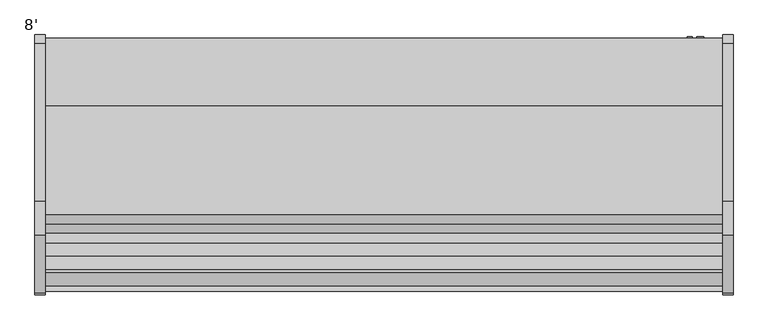
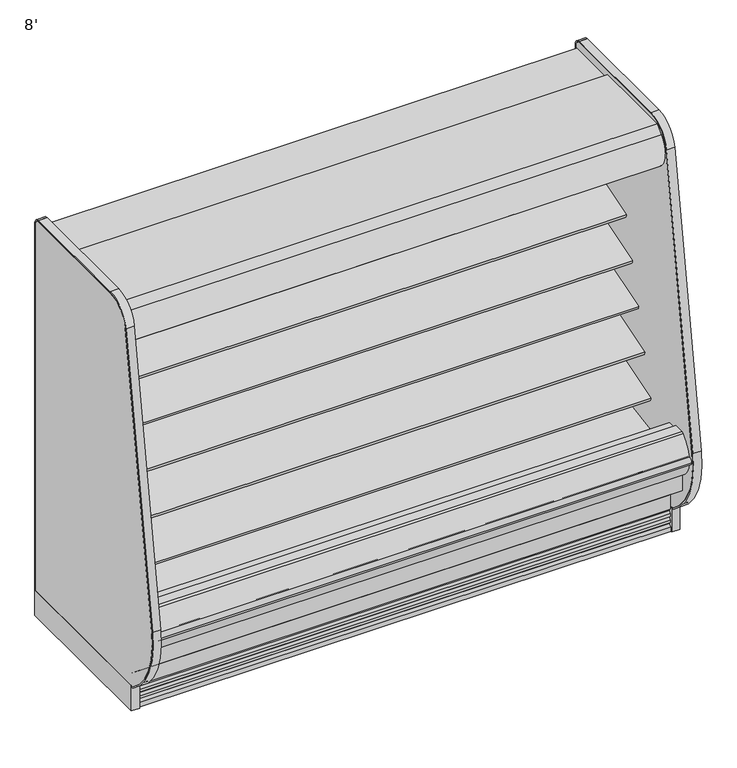
"""IFC4 building model written with IfcOpenShell, lengths in millimetres: proxy geometry, 8'."""

from ifc_helpers import new_model, si_unit, point, frame, frame_2d, origin, origin_with_axes, place, context, project, spatial, polyline, circle_curve, trimmed, segment, composite_curve, outline, extrude, source, transform, mapped, element, save
from ifc_brep_helpers import plane_surface, revolved_surface, advanced_brep


def proxy_8_73f306f4(model_context):
    return source(origin(), model_context, "Body", "SolidModel", [
        extrude(outline(composite_curve([segment(polyline([(-504.9331995, 1231.4784284), (-504.9331995, 1153.1939633), (-518.2051955, 1148.8882479)]), True, "CONTINUOUS"), segment(trimmed(circle_curve(frame_2d((-526.0433303, 1173.0486213)), 25.4), [point((-518.2051955, 1148.8882479))], [point((-535.5495316, 1149.4945954))], False, "CARTESIAN"), True, "CONTINUOUS"), segment(polyline([(-535.5495316, 1149.4945954), (-556.8449295, 1158.0892339)]), True, "CONTINUOUS"), segment(trimmed(circle_curve(frame_2d((-580.6104329, 1099.2041692)), 63.5), [point((-556.8449295, 1158.0892339))], [point((-591.4790956, 1161.7671149))], True, "CARTESIAN"), True, "CONTINUOUS"), segment(polyline([(-591.4790956, 1161.7671149), (-780.783108, 1128.6709714), (-783.2127521, 1131.5259116), (-840.8364756, 1113.9085713), (-844.9951707, 1127.5110502), (-504.9331995, 1231.4784284)]), True, "CONTINUOUS")], self_intersect=False)), frame((0.0, 0.0, 0.0), z_axis=(1.0, 0.0, 0.0), x_axis=(0.0, 1.0, 0.0)), (0.0, 0.0, 1.0), 2438.4),
        extrude(outline(composite_curve([segment(trimmed(circle_curve(frame_2d((-755.1213828, 1754.6817837)), 14.2875), [point((-740.8338828, 1754.6817837))], [point((-769.4088828, 1754.6817837))], False, "CARTESIAN"), True, "CONTINUOUS"), segment(trimmed(circle_curve(frame_2d((-755.1213828, 1754.6817837)), 14.2875), [point((-769.4088828, 1754.6817837))], [point((-740.8338828, 1754.6817837))], False, "CARTESIAN"), True, "CONTINUOUS")], self_intersect=False)), frame((0.0, 0.0, 0.0), z_axis=(1.0, 0.0, 0.0), x_axis=(0.0, 1.0, 0.0)), (0.0, 0.0, 1.0), 2438.4),
        extrude(outline(polyline([(-734.0000368, 1783.4480074), (-734.0000368, 1781.8605074), (-745.9062868, 1781.8605074), (-781.6250368, 1758.0480074), (-781.6250368, 1781.8605074), (-802.2625368, 1781.8605074), (-802.2625368, 1723.2826254), (-798.9859062, 1707.1532905), (-800.5416293, 1706.8372496), (-803.8500368, 1723.1230074), (-803.8500368, 1783.4480074), (-734.0000368, 1783.4480074)])), frame((0.0, 0.0, 0.0), z_axis=(1.0, 0.0, 0.0), x_axis=(0.0, 1.0, 0.0)), (0.0, 0.0, 1.0), 2438.4),
        extrude(outline(composite_curve([segment(polyline([(-645.2072918, 1887.6264001), (-951.9166873, 1887.6264001), (-951.9166873, 1837.4360001), (-910.7889599, 1837.4360001), (-910.7889599, 1751.481792), (-914.7191706, 1751.481792), (-957.9732964, 1778.3902586), (-1045.9679806, 1778.3902586), (-1051.3862085, 1749.0156271), (-1059.481178, 1742.4581239), (-1061.2400107, 1736.6057625), (-1066.37165, 1728.7312858)]), True, "CONTINUOUS"), segment(trimmed(circle_curve(frame_2d((-1071.317344, 1733.5755629)), 6.9229264), [point((-1066.37165, 1728.7312858))], [point((-1076.4850743, 1728.9688858))], False, "CARTESIAN"), True, "CONTINUOUS"), segment(trimmed(circle_curve(frame_2d((-997.6333247, 1799.2598126)), 105.6333886), [point((-1076.4850743, 1728.9688858))], [point((-1070.6777032, 1875.5679482))], False, "CARTESIAN"), True, "CONTINUOUS"), segment(trimmed(circle_curve(frame_2d((-1536.9601915, 2362.0700675)), 673.8721474), [point((-1070.6777032, 1875.5679482))], [point((-1038.8813513, 1908.174551))], True, "CARTESIAN"), True, "CONTINUOUS"), segment(polyline([(-1038.8813513, 1908.174551), (-645.2072918, 1908.174551), (-645.2072918, 1887.6264001)]), True, "CONTINUOUS")], self_intersect=False)), frame((0.0, 0.0, 0.0), z_axis=(1.0, 0.0, 0.0), x_axis=(0.0, 1.0, 0.0)), (0.0, 0.0, 1.0), 2438.4),
        extrude(outline(polyline([(174.853063, -1017.4589273), (481.100863, -1017.4589273), (481.100863, -1115.8839273), (174.853063, -1115.8839273), (174.853063, -1017.4589273)])), frame((0.0, 0.0, 7.2630602), z_axis=(0.0, 0.0, 1.0), x_axis=(1.0, 0.0, 0.0)), (0.0, 0.0, 1.0), 9.6482401),
        extrude(outline(composite_curve([segment(trimmed(circle_curve(frame_2d((2245.6428976, -1007.9339273)), 12.7), [point((2232.9428976, -1007.9339273))], [point((2258.3428976, -1007.9339273))], False, "CARTESIAN"), True, "CONTINUOUS"), segment(trimmed(circle_curve(frame_2d((2245.6428976, -1007.9339273)), 12.7), [point((2258.3428976, -1007.9339273))], [point((2232.9428976, -1007.9339273))], False, "CARTESIAN"), True, "CONTINUOUS")], self_intersect=False)), frame((0.0, 0.0, 71.1788852), z_axis=(0.0, 0.0, 1.0), x_axis=(1.0, 0.0, 0.0)), (0.0, 0.0, 1.0), 58.9961148),
        extrude(outline(composite_curve([segment(trimmed(circle_curve(frame_2d((2193.3280532, -1007.9339273)), 9.525), [point((2183.8030532, -1007.9339273))], [point((2202.8530532, -1007.9339273))], False, "CARTESIAN"), True, "CONTINUOUS"), segment(trimmed(circle_curve(frame_2d((2193.3280532, -1007.9339273)), 9.525), [point((2202.8530532, -1007.9339273))], [point((2183.8030532, -1007.9339273))], False, "CARTESIAN"), True, "CONTINUOUS")], self_intersect=False)), frame((0.0, 0.0, 71.1788852), z_axis=(0.0, 0.0, 1.0), x_axis=(1.0, 0.0, 0.0)), (0.0, 0.0, 1.0), 58.9961148),
        extrude(outline(composite_curve([segment(trimmed(circle_curve(frame_2d((1219.2, -988.8839273)), 38.1), [point((1181.1, -988.8839273))], [point((1257.3, -988.8839273))], False, "CARTESIAN"), True, "CONTINUOUS"), segment(trimmed(circle_curve(frame_2d((1219.2, -988.8839273)), 38.1), [point((1257.3, -988.8839273))], [point((1181.1, -988.8839273))], False, "CARTESIAN"), True, "CONTINUOUS")], self_intersect=False)), frame((0.0, 0.0, 71.1788852), z_axis=(0.0, 0.0, 1.0), x_axis=(1.0, 0.0, 0.0)), (0.0, 0.0, 1.0), 58.9961148),
        advanced_brep(
        [(2438.4, -1017.4589273, 130.175), (2438.4, -1087.7580824, 130.175), (2438.4, -1115.8839273, 152.8829537), (2438.4, -1115.8839273, 16.9113003), (2438.4, -1017.4589273, 16.9113003), (0.0, -1017.4589273, 130.175), (0.0, -1017.4589273, 16.9113003), (0.0, -1115.8839273, 16.9113003), (0.0, -1115.8839273, 152.8829537), (0.0, -1087.7580824, 130.175), (2269.2240418, -1017.4589273, 130.175), (2169.4259582, -1017.4589273, 130.175), (1261.2013021, -1017.4589273, 130.175), (1177.1986979, -1017.4589273, 130.175), (1177.1986979, -1017.4589273, 16.9113003), (1261.2013021, -1017.4589273, 16.9113003), (2169.4259582, -1017.4589273, 16.9113003), (2269.2240418, -1017.4589273, 16.9113003)],
        [
            (0, 1),
            (1, 2),
            (2, 3),
            (3, 4),
            (4, 0),
            (5, 6),
            (6, 7),
            (7, 8),
            (8, 9),
            (9, 5),
            (0, 10),
            (10, 11, circle_curve(frame((2219.325, -1007.9339273, 130.175), z_axis=(0.0, 0.0, -1.0), x_axis=(1.0, 0.0, 0.0)), 50.8)),
            (11, 12),
            (12, 13, circle_curve(frame((1219.2, -988.8839273, 130.175), z_axis=(0.0, 0.0, -1.0), x_axis=(1.0, 0.0, 0.0)), 50.8)),
            (13, 5),
            (9, 1),
            (8, 2),
            (3, 7),
            (6, 14),
            (14, 15, circle_curve(frame((1219.2, -988.8839273, 16.9113003), z_axis=(0.0, 0.0, 1.0), x_axis=(1.0, 0.0, 0.0)), 50.8)),
            (15, 16),
            (16, 17, circle_curve(frame((2219.325, -1007.9339273, 16.9113003), z_axis=(0.0, 0.0, 1.0), x_axis=(1.0, 0.0, 0.0)), 50.8)),
            (17, 4),
            (17, 10),
            (13, 14),
            (15, 12),
            (11, 16),
        ],
        [
            plane_surface(frame((2438.4, -1087.7580824, 130.175), z_axis=(1.0, 0.0, 0.0), x_axis=(0.0, -1.0, 0.0))),
            plane_surface(frame((0.0, -1087.7580824, 130.175), z_axis=(-1.0, 0.0, 0.0), x_axis=(0.0, 1.0, 0.0))),
            plane_surface(frame((2438.4, -1017.4589273, 130.175), z_axis=(0.0, 0.0, 1.0), x_axis=(-1.0, 0.0, 0.0))),
            plane_surface(frame((2438.4, -1087.7580824, 130.175), z_axis=(0.0, 0.628185164263753, 0.7780638787393499), x_axis=(-1.0, 0.0, 0.0))),
            plane_surface(frame((2438.4, -1115.8839273, 16.9113003), z_axis=(0.0, 0.0, -1.0), x_axis=(-1.0, 0.0, 0.0))),
            plane_surface(frame((2438.4, -1017.4589273, 16.9113003), z_axis=(0.0, 1.0, 0.0), x_axis=(-1.0, 0.0, 0.0))),
            revolved_surface(polyline([(1270.0, -988.8839273, 130.175), (1270.0, -988.8839273, 16.9113003)]), (1219.2, -988.8839273, 0.0), (0.0, 0.0, 1.0)),
            revolved_surface(polyline([(2270.125, -1007.9339273, 130.175), (2270.125, -1007.9339273, 16.9113003)]), (2219.325, -1007.9339273, 0.0), (0.0, 0.0, 1.0)),
            plane_surface(frame((2438.4, -1115.8839273, 152.8829537), z_axis=(0.0, -1.0, 0.0), x_axis=(-1.0, 0.0, 0.0))),
        ],
        [
            (0, [[1, 2, 3, 4, 5]]),
            (1, [[6, 7, 8, 9, 10]]),
            (2, [[-1, 11, 12, 13, 14, 15, -10, 16]]),
            (3, [[-2, -16, -9, 17]]),
            (4, [[-4, 18, -7, 19, 20, 21, 22, 23]]),
            (5, [[-5, -23, 24, -11]]),
            (5, [[-6, -15, 25, -19]]),
            (5, [[26, -13, 27, -21]]),
            (6, [[-14, -26, -20, -25]]),
            (7, [[-12, -24, -22, -27]]),
            (8, [[-3, -17, -8, -18]]),
        ],
    ),
        advanced_brep(
        [(2438.4, -401.5089273, 0.0), (2438.4, -401.5089273, 130.175), (2438.4, -1017.4589273, 130.175), (2438.4, -1017.4589273, 0.0), (2438.4, -973.8344273, 0.0), (2438.4, -973.8344273, 74.8810382), (2438.4, -446.7209273, 74.8810382), (2438.4, -446.7209273, 0.0), (0.0, -401.5089273, 0.0), (0.0, -446.7209273, 0.0), (0.0, -446.7209273, 74.8810382), (0.0, -973.8344273, 74.8810382), (0.0, -973.8344273, 0.0), (0.0, -1017.4589273, 0.0), (0.0, -1017.4589273, 130.175), (0.0, -401.5089273, 130.175), (1177.1986979, -1017.4589273, 130.175), (1168.4, -988.8839273, 130.175), (1270.0, -988.8839273, 130.175), (1261.2013021, -1017.4589273, 130.175), (2169.4259582, -1017.4589273, 130.175), (2168.525, -1007.9339273, 130.175), (2270.125, -1007.9339273, 130.175), (2269.2240418, -1017.4589273, 130.175), (2269.2240418, -1017.4589273, 0.0), (1177.1986979, -1017.4589273, 0.0), (1261.2013021, -1017.4589273, 0.0), (2169.4259582, -1017.4589273, 0.0), (2270.125, -1007.9339273, 0.0), (2256.9795362, -973.8344273, 0.0), (1170.68039, -973.8344273, 0.0), (1168.4, -988.8839273, 0.0), (1270.0, -988.8839273, 0.0), (1267.71961, -973.8344273, 0.0), (2181.6704638, -973.8344273, 0.0), (2168.525, -1007.9339273, 0.0), (2256.9795362, -973.8344273, 74.8810382), (1170.68039, -973.8344273, 74.8810382), (1267.71961, -973.8344273, 74.8810382), (2181.6704638, -973.8344273, 74.8810382)],
        [
            (0, 1),
            (1, 2),
            (2, 3),
            (3, 4),
            (4, 5),
            (5, 6),
            (6, 7),
            (7, 0),
            (8, 9),
            (9, 10),
            (10, 11),
            (11, 12),
            (12, 13),
            (13, 14),
            (14, 15),
            (15, 8),
            (0, 8),
            (15, 1),
            (14, 16),
            (16, 17, circle_curve(frame((1219.2, -988.8839273, 130.175), z_axis=(0.0, 0.0, -1.0), x_axis=(1.0, 0.0, 0.0)), 50.8)),
            (17, 18, circle_curve(frame((1219.2, -988.8839273, 130.175), z_axis=(0.0, 0.0, -1.0), x_axis=(1.0, 0.0, 0.0)), 50.8)),
            (18, 19, circle_curve(frame((1219.2, -988.8839273, 130.175), z_axis=(0.0, 0.0, -1.0), x_axis=(1.0, 0.0, 0.0)), 50.8)),
            (19, 20),
            (20, 21, circle_curve(frame((2219.325, -1007.9339273, 130.175), z_axis=(0.0, 0.0, -1.0), x_axis=(1.0, 0.0, 0.0)), 50.8)),
            (21, 22, circle_curve(frame((2219.325, -1007.9339273, 130.175), z_axis=(0.0, 0.0, -1.0), x_axis=(1.0, 0.0, 0.0)), 50.8)),
            (22, 23, circle_curve(frame((2219.325, -1007.9339273, 130.175), z_axis=(0.0, 0.0, -1.0), x_axis=(1.0, 0.0, 0.0)), 50.8)),
            (23, 2),
            (23, 24),
            (24, 3),
            (13, 25),
            (25, 16),
            (19, 26),
            (26, 27),
            (27, 20),
            (24, 28, circle_curve(frame((2219.325, -1007.9339273, 0.0), z_axis=(0.0, 0.0, 1.0), x_axis=(1.0, 0.0, 0.0)), 50.8)),
            (28, 29, circle_curve(frame((2219.325, -1007.9339273, 0.0), z_axis=(0.0, 0.0, 1.0), x_axis=(1.0, 0.0, 0.0)), 50.8)),
            (29, 4),
            (12, 30),
            (30, 31, circle_curve(frame((1219.2, -988.8839273, 0.0), z_axis=(0.0, 0.0, 1.0), x_axis=(1.0, 0.0, 0.0)), 50.8)),
            (31, 25, circle_curve(frame((1219.2, -988.8839273, 0.0), z_axis=(0.0, 0.0, 1.0), x_axis=(1.0, 0.0, 0.0)), 50.8)),
            (26, 32, circle_curve(frame((1219.2, -988.8839273, 0.0), z_axis=(0.0, 0.0, 1.0), x_axis=(1.0, 0.0, 0.0)), 50.8)),
            (32, 33, circle_curve(frame((1219.2, -988.8839273, 0.0), z_axis=(0.0, 0.0, 1.0), x_axis=(1.0, 0.0, 0.0)), 50.8)),
            (33, 34),
            (34, 35, circle_curve(frame((2219.325, -1007.9339273, 0.0), z_axis=(0.0, 0.0, 1.0), x_axis=(1.0, 0.0, 0.0)), 50.8)),
            (35, 27, circle_curve(frame((2219.325, -1007.9339273, 0.0), z_axis=(0.0, 0.0, 1.0), x_axis=(1.0, 0.0, 0.0)), 50.8)),
            (29, 36),
            (36, 5),
            (11, 37),
            (37, 30),
            (33, 38),
            (38, 39),
            (39, 34),
            (36, 39, circle_curve(frame((2219.325, -1007.9339273, 74.8810382), z_axis=(0.0, 0.0, 1.0), x_axis=(1.0, 0.0, 0.0)), 50.8)),
            (38, 37, circle_curve(frame((1219.2, -988.8839273, 74.8810382), z_axis=(0.0, 0.0, 1.0), x_axis=(1.0, 0.0, 0.0)), 50.8)),
            (10, 6),
            (9, 7),
            (18, 32),
            (31, 17),
            (22, 28),
            (35, 21),
        ],
        [
            plane_surface(frame((2438.4, -401.5089273, 1893.5715584), z_axis=(1.0, 0.0, 0.0), x_axis=(0.0, 0.0, 1.0))),
            plane_surface(frame((0.0, -401.5089273, 1893.5715584), z_axis=(-1.0, 0.0, 0.0), x_axis=(0.0, 0.0, -1.0))),
            plane_surface(frame((2438.4, -401.5089273, 0.0), z_axis=(0.0, 1.0, 0.0), x_axis=(-1.0, 0.0, 0.0))),
            plane_surface(frame((2438.4, -401.5089273, 130.175), z_axis=(0.0, 0.0, 1.0), x_axis=(-1.0, 0.0, 0.0))),
            plane_surface(frame((2438.4, -1017.4589273, 130.175), z_axis=(0.0, -1.0, 0.0), x_axis=(-1.0, 0.0, 0.0))),
            plane_surface(frame((2438.4, -1017.4589273, 0.0), z_axis=(0.0, 0.0, -1.0), x_axis=(-1.0, 0.0, 0.0))),
            plane_surface(frame((2438.4, -973.8344273, 0.0), z_axis=(0.0, 1.0, 0.0), x_axis=(-1.0, 0.0, 0.0))),
            plane_surface(frame((2438.4, -973.8344273, 74.8810382), z_axis=(0.0, 0.0, -1.0), x_axis=(-1.0, 0.0, 0.0))),
            plane_surface(frame((2438.4, -446.7209273, 74.8810382), z_axis=(0.0, -1.0, 0.0), x_axis=(-1.0, 0.0, 0.0))),
            plane_surface(frame((2438.4, -446.7209273, 0.0), z_axis=(0.0, 0.0, -1.0), x_axis=(-1.0, 0.0, 0.0))),
            revolved_surface(polyline([(1270.0, -988.8839273, 130.175), (1270.0, -988.8839273, 0.0)]), (1219.2, -988.8839273, 0.0), (0.0, 0.0, 1.0)),
            revolved_surface(polyline([(2270.125, -1007.9339273, 130.175), (2270.125, -1007.9339273, 0.0)]), (2219.325, -1007.9339273, 0.0), (0.0, 0.0, 1.0)),
        ],
        [
            (0, [[1, 2, 3, 4, 5, 6, 7, 8]]),
            (1, [[9, 10, 11, 12, 13, 14, 15, 16]]),
            (2, [[-1, 17, -16, 18]]),
            (3, [[-2, -18, -15, 19, 20, 21, 22, 23, 24, 25, 26, 27]]),
            (4, [[-3, -27, 28, 29]]),
            (4, [[-14, 30, 31, -19]]),
            (4, [[32, 33, 34, -23]]),
            (5, [[-4, -29, 35, 36, 37]]),
            (5, [[-13, 38, 39, 40, -30]]),
            (5, [[41, 42, 43, 44, 45, -33]]),
            (6, [[-5, -37, 46, 47]]),
            (6, [[-12, 48, 49, -38]]),
            (6, [[50, 51, 52, -43]]),
            (7, [[-6, -47, 53, -51, 54, -48, -11, 55]]),
            (8, [[-7, -55, -10, 56]]),
            (9, [[-8, -56, -9, -17]]),
            (10, [[57, -41, -32, -22]]),
            (10, [[58, -20, -31, -40]]),
            (10, [[-57, -21, -58, -39, -49, -54, -50, -42]]),
            (11, [[59, -35, -28, -26]]),
            (11, [[60, -24, -34, -45]]),
            (11, [[-59, -25, -60, -44, -52, -53, -46, -36]]),
        ],
    ),
        extrude(outline(composite_curve([segment(polyline([(-504.9331995, 698.5637759), (-504.9331995, 620.2793108), (-518.2051955, 615.9735953)]), True, "CONTINUOUS"), segment(trimmed(circle_curve(frame_2d((-526.0433303, 640.1339687)), 25.4), [point((-518.2051955, 615.9735953))], [point((-535.5495316, 616.5799428))], False, "CARTESIAN"), True, "CONTINUOUS"), segment(polyline([(-535.5495316, 616.5799428), (-558.3357517, 627.7682995)]), True, "CONTINUOUS"), segment(trimmed(circle_curve(frame_2d((-569.7928058, 604.43485)), 25.9944985), [point((-558.3357517, 627.7682995))], [point((-574.7613155, 629.9500977))], True, "CARTESIAN"), True, "CONTINUOUS"), segment(polyline([(-574.7613155, 629.9500977), (-831.3116554, 579.9927985), (-834.3085598, 582.9897029), (-986.5773204, 536.436471), (-990.7360155, 550.0389499), (-504.9331995, 698.5637759)]), True, "CONTINUOUS")], self_intersect=False)), frame((0.0, 0.0, 0.0), z_axis=(1.0, 0.0, 0.0), x_axis=(0.0, 1.0, 0.0)), (0.0, 0.0, 1.0), 2438.4),
        extrude(outline(composite_curve([segment(polyline([(-504.9331995, 876.3637759), (-504.9331995, 798.0793108), (-518.2051955, 793.7735953)]), True, "CONTINUOUS"), segment(trimmed(circle_curve(frame_2d((-526.0433303, 817.9339687)), 25.4), [point((-518.2051955, 793.7735953))], [point((-535.5495316, 794.3799428))], False, "CARTESIAN"), True, "CONTINUOUS"), segment(polyline([(-535.5495316, 794.3799428), (-556.8449295, 802.9745814)]), True, "CONTINUOUS"), segment(trimmed(circle_curve(frame_2d((-580.6104329, 744.0895166)), 63.5), [point((-556.8449295, 802.9745814))], [point((-591.4790956, 806.6524623))], True, "CARTESIAN"), True, "CONTINUOUS"), segment(polyline([(-591.4790956, 806.6524623), (-780.783108, 773.5563188), (-783.2127521, 776.4112591), (-937.9970388, 729.0889536), (-942.1557339, 742.6914325), (-504.9331995, 876.3637759)]), True, "CONTINUOUS")], self_intersect=False)), frame((0.0, 0.0, 0.0), z_axis=(1.0, 0.0, 0.0), x_axis=(0.0, 1.0, 0.0)), (0.0, 0.0, 1.0), 2438.4),
        extrude(outline(composite_curve([segment(polyline([(-504.9331995, 1054.1637759), (-504.9331995, 975.8793108), (-518.2051955, 971.5735953)]), True, "CONTINUOUS"), segment(trimmed(circle_curve(frame_2d((-526.0433303, 995.7339687)), 25.4), [point((-518.2051955, 971.5735953))], [point((-535.5495316, 972.1799428))], False, "CARTESIAN"), True, "CONTINUOUS"), segment(polyline([(-535.5495316, 972.1799428), (-556.8449295, 980.7745814)]), True, "CONTINUOUS"), segment(trimmed(circle_curve(frame_2d((-580.6104329, 921.8895166)), 63.5), [point((-556.8449295, 980.7745814))], [point((-591.4790956, 984.4524623))], True, "CARTESIAN"), True, "CONTINUOUS"), segment(polyline([(-591.4790956, 984.4524623), (-780.783108, 951.3563188), (-783.2127521, 954.2112591), (-889.4167572, 921.7414362), (-893.5754523, 935.3439151), (-504.9331995, 1054.1637759)]), True, "CONTINUOUS")], self_intersect=False)), frame((0.0, 0.0, 0.0), z_axis=(1.0, 0.0, 0.0), x_axis=(0.0, 1.0, 0.0)), (0.0, 0.0, 1.0), 2438.4),
        extrude(outline(composite_curve([segment(trimmed(circle_curve(frame_2d((317.5, 2358.8090336)), 12.7), [point((317.5, 2371.5090336))], [point((317.5, 2346.1090336))], False, "CARTESIAN"), True, "CONTINUOUS"), segment(trimmed(circle_curve(frame_2d((317.5, 2358.8090336)), 12.7), [point((317.5, 2346.1090336))], [point((317.5, 2371.5090336))], False, "CARTESIAN"), True, "CONTINUOUS")], self_intersect=False)), frame((0.0, -447.5561252, 0.0), z_axis=(0.0, 1.0, 0.0), x_axis=(0.0, 0.0, 1.0)), (0.0, 0.0, 1.0), 52.3971979),
        extrude(outline(composite_curve([segment(trimmed(circle_curve(frame_2d((317.5, 2320.3972115)), 9.525), [point((317.5, 2329.9222115))], [point((317.5, 2310.8722115))], False, "CARTESIAN"), True, "CONTINUOUS"), segment(trimmed(circle_curve(frame_2d((317.5, 2320.3972115)), 9.525), [point((317.5, 2310.8722115))], [point((317.5, 2329.9222115))], False, "CARTESIAN"), True, "CONTINUOUS")], self_intersect=False)), frame((0.0, -447.5561252, 0.0), z_axis=(0.0, 1.0, 0.0), x_axis=(0.0, 0.0, 1.0)), (0.0, 0.0, 1.0), 52.3971979),
        extrude(outline(composite_curve([segment(polyline([(-451.7851762, 1837.4360001), (-451.7851762, 404.745884), (-504.9331995, 404.745884), (-504.9331995, 1758.0415628)]), True, "CONTINUOUS"), segment(trimmed(circle_curve(frame_2d((-530.3331995, 1758.0415628)), 25.4), [point((-504.9331995, 1758.0415628))], [point((-530.3331995, 1783.4415628))], True, "CARTESIAN"), True, "CONTINUOUS"), segment(polyline([(-530.3331995, 1783.4415628), (-809.1889611, 1783.4415628), (-809.1889611, 1776.8817932), (-910.7889599, 1776.8817932), (-910.7889599, 1837.4360001), (-451.7851762, 1837.4360001)]), True, "CONTINUOUS")], self_intersect=False)), frame((0.0, 0.0, 0.0), z_axis=(1.0, 0.0, 0.0), x_axis=(0.0, 1.0, 0.0)), (0.0, 0.0, 1.0), 2438.4),
        advanced_brep(
        [(2438.4, -1087.7580824, 130.175), (2438.4, -401.5089273, 130.175), (2438.4, -401.5089273, 1887.6264001), (2438.4, -951.9166873, 1887.6264001), (2438.4, -951.9166873, 1837.4360001), (2438.4, -451.7851762, 1837.4360001), (2438.4, -451.7851762, 220.9153254), (2438.4, -907.4980548, 192.4688739), (2438.4, -953.7315308, 153.8351049), (2438.4, -1018.2338414, 151.5826346), (2438.4, -1069.8475697, 188.921294), (2438.4, -1084.4521206, 188.4112919), (2438.4, -1191.9593872, 278.6205996), (2438.4, -1191.9593872, 391.24255), (2438.4, -1241.4639874, 391.24255), (2438.4, -1241.4639874, 254.2724833), (0.0, -1087.7580824, 130.175), (0.0, -1241.4639874, 254.2724833), (0.0, -1241.4639874, 391.24255), (0.0, -1191.9593872, 391.24255), (0.0, -1191.9593872, 278.6205996), (0.0, -1084.4521206, 188.4112919), (0.0, -1069.8475697, 188.921294), (0.0, -1018.2338414, 151.5826346), (0.0, -953.7315308, 153.8351049), (0.0, -907.4980548, 192.4688739), (0.0, -451.7851762, 220.9153254), (0.0, -451.7851762, 1837.4360001), (0.0, -951.9166873, 1837.4360001), (0.0, -951.9166873, 1887.6264001), (0.0, -401.5089273, 1887.6264001), (0.0, -401.5089273, 130.175), (2336.8, -447.5561252, 266.7), (2336.8, -447.5561252, 368.3), (2336.8, -401.5089273, 368.3), (2336.8, -401.5089273, 266.7)],
        [
            (0, 1),
            (1, 2),
            (2, 3),
            (3, 4),
            (4, 5),
            (5, 6),
            (6, 7),
            (7, 8),
            (8, 9),
            (9, 10),
            (10, 11),
            (11, 12),
            (12, 13),
            (13, 14),
            (14, 15),
            (15, 0),
            (16, 17),
            (17, 18),
            (18, 19),
            (19, 20),
            (20, 21),
            (21, 22),
            (22, 23),
            (23, 24),
            (24, 25),
            (25, 26),
            (26, 27),
            (27, 28),
            (28, 29),
            (29, 30),
            (30, 31),
            (31, 16),
            (32, 33, circle_curve(frame((2336.8, -447.5561252, 317.5), z_axis=(0.0, 1.0, 0.0), x_axis=(0.0, 0.0, 1.0)), 50.8)),
            (33, 32, circle_curve(frame((2336.8, -447.5561252, 317.5), z_axis=(0.0, 1.0, 0.0), x_axis=(0.0, 0.0, 1.0)), 50.8)),
            (33, 34),
            (34, 35, circle_curve(frame((2336.8, -401.5089273, 317.5), z_axis=(0.0, 1.0, 0.0), x_axis=(0.0, 0.0, 1.0)), 50.8)),
            (35, 32),
            (35, 34, circle_curve(frame((2336.8, -401.5089273, 317.5), z_axis=(0.0, 1.0, 0.0), x_axis=(0.0, 0.0, 1.0)), 50.8)),
            (0, 16),
            (31, 1),
            (30, 2),
            (29, 3),
            (28, 4),
            (27, 5),
            (26, 6),
            (25, 7),
            (12, 20),
            (19, 13),
            (18, 14),
            (17, 15),
            (24, 8),
            (23, 9),
            (22, 10),
            (21, 11),
        ],
        [
            plane_surface(frame((2438.4, -401.5089273, 130.175), z_axis=(1.0, 0.0, 0.0), x_axis=(0.0, 1.0, 0.0))),
            plane_surface(frame((0.0, -401.5089273, 130.175), z_axis=(-1.0, 0.0, 0.0), x_axis=(0.0, -1.0, 0.0))),
            plane_surface(frame((2336.8, -447.5561252, 368.3), z_axis=(0.0, 1.0, 0.0), x_axis=(-1.0, 0.0, 0.0))),
            revolved_surface(polyline([(2336.8, -447.5561252, 368.3), (2336.8, -401.5089273, 368.3)]), (2336.8, -401.5089273, 317.5), (0.0, -1.0, 0.0)),
            plane_surface(frame((2438.4, -1087.7580824, 130.175), z_axis=(0.0, 0.0, -1.0), x_axis=(-1.0, 0.0, 0.0))),
            plane_surface(frame((2438.4, -401.5089273, 130.175), z_axis=(0.0, 1.0, 0.0), x_axis=(-1.0, 0.0, 0.0))),
            plane_surface(frame((2438.4, -401.5089273, 1887.6264001), z_axis=(0.0, 0.0, 1.0), x_axis=(-1.0, 0.0, 0.0))),
            plane_surface(frame((2438.4, -951.9166873, 1887.6264001), z_axis=(0.0, -1.0, 0.0), x_axis=(-1.0, 0.0, 0.0))),
            plane_surface(frame((2438.4, -951.9166873, 1837.4360001), z_axis=(0.0, 0.0, -1.0), x_axis=(-1.0, 0.0, 0.0))),
            plane_surface(frame((2438.4, -451.7851762, 1837.4360001), z_axis=(0.0, -1.0, 0.0), x_axis=(-1.0, 0.0, 0.0))),
            plane_surface(frame((2438.4, -451.7851762, 220.9153254), z_axis=(0.0, -0.06230061419367981, 0.9980574299463385), x_axis=(-1.0, 0.0, 0.0))),
            plane_surface(frame((2438.4, -1191.9593872, 278.6205996), z_axis=(0.0, 1.0, 0.0), x_axis=(-1.0, 0.0, 0.0))),
            plane_surface(frame((2438.4, -1191.9593872, 391.24255), z_axis=(0.0, 0.0, 1.0), x_axis=(-1.0, 0.0, 0.0))),
            plane_surface(frame((2438.4, -1241.4639874, 391.24255), z_axis=(0.0, -1.0, 0.0), x_axis=(-1.0, 0.0, 0.0))),
            plane_surface(frame((2438.4, -1241.4639874, 254.2724833), z_axis=(0.0, -0.628185164263745, -0.7780638787393563), x_axis=(-1.0, 0.0, 0.0))),
            plane_surface(frame((2438.4, -907.4980548, 192.4688739), z_axis=(0.0, -0.6412208566385623, 0.7673563794037999), x_axis=(-1.0, 0.0, 0.0))),
            plane_surface(frame((2438.4, -953.7315308, 153.8351049), z_axis=(0.0, -0.03489949670243331, 0.9993908270190981), x_axis=(-1.0, 0.0, 0.0))),
            plane_surface(frame((2438.4, -1018.2338414, 151.5826346), z_axis=(0.0, 0.5861307997256778, 0.810216443682142), x_axis=(-1.0, 0.0, 0.0))),
            plane_surface(frame((2438.4, -1069.8475697, 188.921294), z_axis=(0.0, -0.03489949670351323, 0.9993908270190605), x_axis=(-1.0, 0.0, 0.0))),
            plane_surface(frame((2438.4, -1084.4521206, 188.4112919), z_axis=(0.0, 0.6427876096870777, 0.7660444431185264), x_axis=(-1.0, 0.0, 0.0))),
        ],
        [
            (0, [[1, 2, 3, 4, 5, 6, 7, 8, 9, 10, 11, 12, 13, 14, 15, 16]]),
            (1, [[17, 18, 19, 20, 21, 22, 23, 24, 25, 26, 27, 28, 29, 30, 31, 32]]),
            (2, [[33, 34]]),
            (3, [[-34, 35, 36, 37]]),
            (3, [[-33, -37, 38, -35]]),
            (4, [[-1, 39, -32, 40]]),
            (5, [[-2, -40, -31, 41], [-36, -38]]),
            (6, [[-3, -41, -30, 42]]),
            (7, [[-4, -42, -29, 43]]),
            (8, [[-5, -43, -28, 44]]),
            (9, [[-6, -44, -27, 45]]),
            (10, [[-7, -45, -26, 46]]),
            (11, [[-13, 47, -20, 48]]),
            (12, [[-14, -48, -19, 49]]),
            (13, [[-15, -49, -18, 50]]),
            (14, [[-16, -50, -17, -39]]),
            (15, [[-8, -46, -25, 51]]),
            (16, [[-9, -51, -24, 52]]),
            (17, [[-10, -52, -23, 53]]),
            (18, [[-11, -53, -22, 54]]),
            (19, [[-12, -54, -21, -47]]),
        ],
    ),
        extrude(outline(composite_curve([segment(polyline([(-1139.9331995, 376.9165628), (-1088.1875931, 376.9165628), (-1084.249805, 378.3216284), (-610.6406734, 456.5929299), (-610.1926758, 450.1862651), (-516.7472923, 456.7206028)]), True, "CONTINUOUS"), segment(trimmed(circle_curve(frame_2d((-517.6331995, 469.3896663)), 12.7), [point((-516.7472923, 456.7206028))], [point((-504.9331995, 469.3896663))], True, "CARTESIAN"), True, "CONTINUOUS"), segment(polyline([(-504.9331995, 469.3896663), (-504.9331995, 404.745884), (-451.7851762, 404.745884), (-451.7851762, 220.9153254), (-907.4980548, 192.4688739), (-953.7315308, 153.8351049), (-1018.2338414, 151.5826346), (-1069.8475697, 188.921294), (-1084.4521206, 188.4112919), (-1191.9593872, 278.6205996), (-1191.9593872, 521.2079999), (-1139.9331995, 521.2079999), (-1139.9331995, 376.9165628)]), True, "CONTINUOUS")], self_intersect=False)), frame((0.0, 0.0, 0.0), z_axis=(1.0, 0.0, 0.0), x_axis=(0.0, 1.0, 0.0)), (0.0, 0.0, 1.0), 2438.4),
        extrude(outline(polyline([(2438.4, -809.1889611), (2438.4, -910.7889599), (0.0, -910.7889599), (0.0, -809.1889611), (2438.4, -809.1889611)])), frame((0.0, 0.0, 1751.481792), z_axis=(0.0, 0.0, 1.0), x_axis=(1.0, 0.0, 0.0)), (0.0, 0.0, 1.0), 25.4000011),
        extrude(outline(composite_curve([segment(trimmed(circle_curve(frame_2d((-1019.8653186, 1751.3133542)), 14.2875), [point((-1034.1528186, 1751.3133542))], [point((-1005.5778186, 1751.3133542))], False, "CARTESIAN"), True, "CONTINUOUS"), segment(trimmed(circle_curve(frame_2d((-1019.8653186, 1751.3133542)), 14.2875), [point((-1005.5778186, 1751.3133542))], [point((-1034.1528186, 1751.3133542))], False, "CARTESIAN"), True, "CONTINUOUS")], self_intersect=False)), frame((0.0, 0.0, 0.0), z_axis=(1.0, 0.0, 0.0), x_axis=(0.0, 1.0, 0.0)), (0.0, 0.0, 1.0), 2438.4),
        extrude(outline(composite_curve([segment(trimmed(circle_curve(frame_2d((-976.1825309, 1751.3133542)), 14.2875), [point((-990.4700309, 1751.3133542))], [point((-961.8950309, 1751.3133542))], False, "CARTESIAN"), True, "CONTINUOUS"), segment(trimmed(circle_curve(frame_2d((-976.1825309, 1751.3133542)), 14.2875), [point((-961.8950309, 1751.3133542))], [point((-990.4700309, 1751.3133542))], False, "CARTESIAN"), True, "CONTINUOUS")], self_intersect=False)), frame((0.0, 0.0, 0.0), z_axis=(1.0, 0.0, 0.0), x_axis=(0.0, 1.0, 0.0)), (0.0, 0.0, 1.0), 2438.4),
        extrude(outline(polyline([(-524.5538195, 1504.4404382), (-699.0292362, 1749.045951), (-692.6360518, 1751.0180598), (-519.384186, 1508.127902), (-524.5538195, 1504.4404382)])), frame((0.0, 0.0, 0.0), z_axis=(1.0, 0.0, 0.0), x_axis=(0.0, 1.0, 0.0)), (0.0, 0.0, 1.0), 2438.4),
        extrude(outline(composite_curve([segment(polyline([(-504.9331995, 1528.8244166), (-504.9331995, 1490.7251669)]), True, "CONTINUOUS"), segment(trimmed(circle_curve(frame_2d((-507.7906995, 1490.7251669)), 2.8575), [point((-504.9331995, 1490.7251669))], [point((-506.6741853, 1488.0948242))], False, "CARTESIAN"), True, "CONTINUOUS"), segment(polyline([(-506.6741853, 1488.0948242), (-515.7704668, 1484.2336819)]), True, "CONTINUOUS"), segment(trimmed(circle_curve(frame_2d((-516.8869809, 1486.8640245)), 2.8575), [point((-515.7704668, 1484.2336819))], [point((-519.4330321, 1485.5667466))], False, "CARTESIAN"), True, "CONTINUOUS"), segment(polyline([(-519.4330321, 1485.5667466), (-527.3608411, 1501.125948)]), True, "CONTINUOUS"), segment(trimmed(circle_curve(frame_2d((-526.2292629, 1501.7025159)), 1.27), [point((-527.3608411, 1501.125948))], [point((-526.8058308, 1502.8340942))], False, "CARTESIAN"), True, "CONTINUOUS"), segment(polyline([(-526.8058308, 1502.8340942), (-519.384186, 1508.127902), (-507.5996446, 1491.6065843), (-506.2031995, 1490.7251669), (-506.2031995, 1528.8244166), (-504.9331995, 1528.8244166)]), True, "CONTINUOUS")], self_intersect=False)), frame((0.0, 0.0, 0.0), z_axis=(1.0, 0.0, 0.0), x_axis=(0.0, 1.0, 0.0)), (0.0, 0.0, 1.0), 2438.4),
        extrude(outline(composite_curve([segment(polyline([(-697.0188534, 1757.162521), (-692.6360518, 1751.0180598), (-701.6311946, 1748.2433237)]), True, "CONTINUOUS"), segment(trimmed(circle_curve(frame_2d((-702.2914708, 1750.3838079)), 2.2400083), [point((-701.6311946, 1748.2433237))], [point((-703.4764456, 1748.4828943))], False, "CARTESIAN"), True, "CONTINUOUS"), segment(polyline([(-703.4764456, 1748.4828943), (-727.5060675, 1782.1711818), (-733.570953, 1782.1711818), (-733.570953, 1783.4411818), (-727.5060675, 1783.4411818)]), True, "CONTINUOUS"), segment(trimmed(circle_curve(frame_2d((-727.5060675, 1782.1711818)), 1.27), [point((-727.5060675, 1783.4411818))], [point((-726.4721408, 1782.9086746))], False, "CARTESIAN"), True, "CONTINUOUS"), segment(polyline([(-726.4721408, 1782.9086746), (-714.3244423, 1765.8782294), (-704.636549, 1772.7885365)]), True, "CONTINUOUS"), segment(trimmed(circle_curve(frame_2d((-703.8990563, 1771.7546097)), 1.27), [point((-704.636549, 1772.7885365))], [point((-702.8651296, 1772.4921025))], False, "CARTESIAN"), True, "CONTINUOUS"), segment(polyline([(-702.8651296, 1772.4921025), (-693.6464701, 1759.5680186), (-697.0188534, 1757.162521)]), True, "CONTINUOUS")], self_intersect=False)), frame((0.0, 0.0, 0.0), z_axis=(1.0, 0.0, 0.0), x_axis=(0.0, 1.0, 0.0)), (0.0, 0.0, 1.0), 2438.4),
        extrude(outline(composite_curve([segment(polyline([(-504.9331995, 1409.2784284), (-504.9331995, 1330.5086159), (-518.2051955, 1326.2029004)]), True, "CONTINUOUS"), segment(trimmed(circle_curve(frame_2d((-526.0433303, 1350.3632738)), 25.4), [point((-518.2051955, 1326.2029004))], [point((-535.5495316, 1326.8092479))], False, "CARTESIAN"), True, "CONTINUOUS"), segment(polyline([(-535.5495316, 1326.8092479), (-556.8449295, 1335.4038865)]), True, "CONTINUOUS"), segment(trimmed(circle_curve(frame_2d((-580.6104329, 1276.5188217)), 63.5), [point((-556.8449295, 1335.4038865))], [point((-591.4790956, 1339.0817674))], True, "CARTESIAN"), True, "CONTINUOUS"), segment(polyline([(-591.4790956, 1339.0817674), (-731.8999615, 1314.8919145), (-738.7354966, 1322.9239732), (-792.256194, 1306.5610539), (-796.4148891, 1320.1635328), (-504.9331995, 1409.2784284)]), True, "CONTINUOUS")], self_intersect=False)), frame((0.0, 0.0, 0.0), z_axis=(1.0, 0.0, 0.0), x_axis=(0.0, 1.0, 0.0)), (0.0, 0.0, 1.0), 2438.4),
        extrude(outline(composite_curve([segment(trimmed(circle_curve(frame_2d((-1295.4698501, 431.8)), 17.2640772), [point((-1312.7339273, 431.8))], [point((-1278.2057729, 431.8))], False, "CARTESIAN"), True, "CONTINUOUS"), segment(trimmed(circle_curve(frame_2d((-1295.4698501, 431.8)), 17.2640772), [point((-1278.2057729, 431.8))], [point((-1312.7339273, 431.8))], False, "CARTESIAN"), True, "CONTINUOUS")], self_intersect=False)), frame((0.0, 0.0, 0.0), z_axis=(1.0, 0.0, 0.0), x_axis=(0.0, 1.0, 0.0)), (0.0, 0.0, 1.0), 2438.4),
        extrude(outline(composite_curve([segment(polyline([(-1188.2747913, 521.2079999), (-1191.9593872, 521.2079999), (-1191.9593872, 391.24255), (-1241.4639874, 391.24255), (-1241.4639874, 350.0194213), (-1265.9341168, 350.0194213)]), True, "CONTINUOUS"), segment(trimmed(circle_curve(frame_2d((-1170.707609, 434.0486555)), 126.9999999), [point((-1265.9341168, 350.0194213))], [point((-1296.202068, 414.5514575))], False, "CARTESIAN"), True, "CONTINUOUS"), segment(trimmed(circle_curve(frame_2d((-1295.4698501, 431.8)), 17.2640772), [point((-1296.202068, 414.5514575))], [point((-1278.2057729, 431.8))], True, "CARTESIAN"), True, "CONTINUOUS"), segment(trimmed(circle_curve(frame_2d((-1295.4698501, 431.8)), 17.2640772), [point((-1278.2057729, 431.8))], [point((-1295.2903371, 449.0631439))], True, "CARTESIAN"), True, "CONTINUOUS"), segment(trimmed(circle_curve(frame_2d((-1123.8462796, 402.089233)), 177.7628003), [point((-1295.2903371, 449.0631439))], [point((-1244.6289384, 532.5160803))], False, "CARTESIAN"), True, "CONTINUOUS"), segment(trimmed(circle_curve(frame_2d((-1233.7721419, 520.7923962)), 15.9785731), [point((-1244.6289384, 532.5160803))], [point((-1233.8677913, 536.770683))], False, "CARTESIAN"), True, "CONTINUOUS"), segment(polyline([(-1233.8677913, 536.770683), (-1188.2747913, 536.770683), (-1188.2747913, 521.2079999)]), True, "CONTINUOUS")], self_intersect=False)), frame((0.0, 0.0, 0.0), z_axis=(1.0, 0.0, 0.0), x_axis=(0.0, 1.0, 0.0)), (0.0, 0.0, 1.0), 2438.4),
        extrude(outline(composite_curve([segment(polyline([(-1115.8839273, 152.8829537), (-1115.8839273, 0.0), (-1147.6339273, 0.0), (-1147.6339273, 21.669938)]), True, "CONTINUOUS"), segment(trimmed(circle_curve(frame_2d((-1148.3535668, 35.0997821)), 13.4491113), [point((-1147.6339273, 21.669938))], [point((-1135.5236279, 31.0660168))], True, "CARTESIAN"), True, "CONTINUOUS"), segment(polyline([(-1135.5236279, 31.0660168), (-1133.2133599, 40.2067021), (-1145.1701446, 40.2067021), (-1145.1701446, 52.9067021)]), True, "CONTINUOUS"), segment(trimmed(circle_curve(frame_2d((-1149.5880124, 66.4088493)), 14.2065314), [point((-1145.1701446, 52.9067021))], [point((-1136.0281464, 62.1714479))], True, "CARTESIAN"), True, "CONTINUOUS"), segment(polyline([(-1136.0281464, 62.1714479), (-1133.2133599, 71.1788852), (-1145.1701446, 71.1788852), (-1145.1701446, 83.8788852)]), True, "CONTINUOUS"), segment(trimmed(circle_curve(frame_2d((-1149.6603877, 97.4524489)), 14.2969897), [point((-1145.1701446, 83.8788852))], [point((-1136.0281464, 93.143631))], True, "CARTESIAN"), True, "CONTINUOUS"), segment(polyline([(-1136.0281464, 93.143631), (-1132.5390493, 104.1824391), (-1132.5390493, 107.8329403), (-1145.4066893, 107.8329403), (-1145.4066893, 176.7187358), (-1115.8839273, 152.8829537)]), True, "CONTINUOUS")], self_intersect=False)), frame((0.0, 0.0, 0.0), z_axis=(1.0, 0.0, 0.0), x_axis=(0.0, 1.0, 0.0)), (0.0, 0.0, 1.0), 2438.4),
        extrude(outline(composite_curve([segment(polyline([(-987.339716, 1924.84248), (-420.5589273, 1924.84248)]), True, "CONTINUOUS"), segment(trimmed(circle_curve(frame_2d((-420.5589273, 1899.44248)), 25.4), [point((-420.5589273, 1924.84248))], [point((-395.1589273, 1899.44248))], False, "CARTESIAN"), True, "CONTINUOUS"), segment(polyline([(-395.1589273, 1899.44248), (-395.1589273, 123.825), (-1163.7666142, 123.825)]), True, "CONTINUOUS"), segment(trimmed(circle_curve(frame_2d((-963.0548561, 419.7457292)), 357.5671795), [point((-1163.7666142, 123.825))], [point((-1315.3485172, 480.9295848))], False, "CARTESIAN"), True, "CONTINUOUS"), segment(polyline([(-1315.3485172, 480.9295848), (-1106.2103301, 1824.8370822)]), True, "CONTINUOUS"), segment(trimmed(circle_curve(frame_2d((-987.339716, 1804.19248)), 120.65), [point((-1106.2103301, 1824.8370822))], [point((-987.339716, 1924.84248))], False, "CARTESIAN"), True, "CONTINUOUS")], self_intersect=False)), frame((-38.1, 0.0, 0.0), z_axis=(1.0, 0.0, 0.0), x_axis=(0.0, 1.0, 0.0)), (0.0, 0.0, 1.0), 38.1),
        extrude(outline(composite_curve([segment(trimmed(circle_curve(frame_2d((-420.5589273, 1899.44248)), 31.75), [point((-420.5589273, 1931.19248))], [point((-388.8089273, 1899.44248))], False, "CARTESIAN"), True, "CONTINUOUS"), segment(polyline([(-388.8089273, 1899.44248), (-388.8089273, 123.825), (-395.1589273, 123.825), (-395.1589273, 1899.44248)]), True, "CONTINUOUS"), segment(trimmed(circle_curve(frame_2d((-420.5589273, 1899.44248)), 25.4), [point((-395.1589273, 1899.44248))], [point((-420.5589273, 1924.84248))], True, "CARTESIAN"), True, "CONTINUOUS"), segment(polyline([(-420.5589273, 1924.84248), (-987.339716, 1924.84248)]), True, "CONTINUOUS"), segment(trimmed(circle_curve(frame_2d((-987.339716, 1804.19248)), 120.65), [point((-987.339716, 1924.84248))], [point((-1106.2103301, 1824.8370822))], True, "CARTESIAN"), True, "CONTINUOUS"), segment(polyline([(-1106.2103301, 1824.8370822), (-1315.3485172, 480.9295848)]), True, "CONTINUOUS"), segment(trimmed(circle_curve(frame_2d((-963.0548561, 419.7457292)), 357.5671795), [point((-1315.3485172, 480.9295848))], [point((-1163.7666142, 123.825))], True, "CARTESIAN"), True, "CONTINUOUS"), segment(polyline([(-1163.7666142, 123.825), (-1153.7579456, 123.825), (-1153.7579456, 117.475), (-1165.7075633, 117.475)]), True, "CONTINUOUS"), segment(trimmed(circle_curve(frame_2d((-963.0548561, 419.7457292)), 363.9171795), [point((-1165.7075633, 117.475))], [point((-1321.6048653, 482.0161428))], False, "CARTESIAN"), True, "CONTINUOUS"), segment(polyline([(-1321.6048653, 482.0161428), (-1112.4666782, 1825.9236402)]), True, "CONTINUOUS"), segment(trimmed(circle_curve(frame_2d((-987.339716, 1804.19248)), 127.0), [point((-1112.4666782, 1825.9236402))], [point((-987.339716, 1931.19248))], False, "CARTESIAN"), True, "CONTINUOUS"), segment(polyline([(-987.339716, 1931.19248), (-420.5589273, 1931.19248)]), True, "CONTINUOUS")], self_intersect=False)), frame((-38.1, 0.0, 0.0), z_axis=(1.0, 0.0, 0.0), x_axis=(0.0, 1.0, 0.0)), (0.0, 0.0, 1.0), 38.1),
        extrude(outline(polyline([(0.0, -388.8089273), (0.0, -1153.7579456), (-38.1, -1153.7579456), (-38.1, -388.8089273), (0.0, -388.8089273)])), origin_with_axes(), (0.0, 0.0, 1.0), 123.825),
        extrude(outline(composite_curve([segment(polyline([(-987.339716, 1924.84248), (-420.5589273, 1924.84248)]), True, "CONTINUOUS"), segment(trimmed(circle_curve(frame_2d((-420.5589273, 1899.44248)), 25.4), [point((-420.5589273, 1924.84248))], [point((-395.1589273, 1899.44248))], False, "CARTESIAN"), True, "CONTINUOUS"), segment(polyline([(-395.1589273, 1899.44248), (-395.1589273, 123.825), (-1163.7666142, 123.825)]), True, "CONTINUOUS"), segment(trimmed(circle_curve(frame_2d((-963.0548561, 419.7457292)), 357.5671795), [point((-1163.7666142, 123.825))], [point((-1315.3485172, 480.9295848))], False, "CARTESIAN"), True, "CONTINUOUS"), segment(polyline([(-1315.3485172, 480.9295848), (-1106.2103301, 1824.8370822)]), True, "CONTINUOUS"), segment(trimmed(circle_curve(frame_2d((-987.339716, 1804.19248)), 120.65), [point((-1106.2103301, 1824.8370822))], [point((-987.339716, 1924.84248))], False, "CARTESIAN"), True, "CONTINUOUS")], self_intersect=False)), frame((2438.4, 0.0, 0.0), z_axis=(1.0, 0.0, 0.0), x_axis=(0.0, 1.0, 0.0)), (0.0, 0.0, 1.0), 38.1),
        extrude(outline(composite_curve([segment(trimmed(circle_curve(frame_2d((-420.5589273, 1899.44248)), 31.75), [point((-420.5589273, 1931.19248))], [point((-388.8089273, 1899.44248))], False, "CARTESIAN"), True, "CONTINUOUS"), segment(polyline([(-388.8089273, 1899.44248), (-388.8089273, 123.825), (-395.1589273, 123.825), (-395.1589273, 1899.44248)]), True, "CONTINUOUS"), segment(trimmed(circle_curve(frame_2d((-420.5589273, 1899.44248)), 25.4), [point((-395.1589273, 1899.44248))], [point((-420.5589273, 1924.84248))], True, "CARTESIAN"), True, "CONTINUOUS"), segment(polyline([(-420.5589273, 1924.84248), (-987.339716, 1924.84248)]), True, "CONTINUOUS"), segment(trimmed(circle_curve(frame_2d((-987.339716, 1804.19248)), 120.65), [point((-987.339716, 1924.84248))], [point((-1106.2103301, 1824.8370822))], True, "CARTESIAN"), True, "CONTINUOUS"), segment(polyline([(-1106.2103301, 1824.8370822), (-1315.3485172, 480.9295848)]), True, "CONTINUOUS"), segment(trimmed(circle_curve(frame_2d((-963.0548561, 419.7457292)), 357.5671795), [point((-1315.3485172, 480.9295848))], [point((-1163.7666142, 123.825))], True, "CARTESIAN"), True, "CONTINUOUS"), segment(polyline([(-1163.7666142, 123.825), (-1153.7579456, 123.825), (-1153.7579456, 117.475), (-1165.7075633, 117.475)]), True, "CONTINUOUS"), segment(trimmed(circle_curve(frame_2d((-963.0548561, 419.7457292)), 363.9171795), [point((-1165.7075633, 117.475))], [point((-1321.6048653, 482.0161428))], False, "CARTESIAN"), True, "CONTINUOUS"), segment(polyline([(-1321.6048653, 482.0161428), (-1112.4666782, 1825.9236402)]), True, "CONTINUOUS"), segment(trimmed(circle_curve(frame_2d((-987.339716, 1804.19248)), 127.0), [point((-1112.4666782, 1825.9236402))], [point((-987.339716, 1931.19248))], False, "CARTESIAN"), True, "CONTINUOUS"), segment(polyline([(-987.339716, 1931.19248), (-420.5589273, 1931.19248)]), True, "CONTINUOUS")], self_intersect=False)), frame((2438.4, 0.0, 0.0), z_axis=(1.0, 0.0, 0.0), x_axis=(0.0, 1.0, 0.0)), (0.0, 0.0, 1.0), 38.1),
        extrude(outline(polyline([(2476.5, -388.8089273), (2476.5, -1153.7579456), (2438.4, -1153.7579456), (2438.4, -388.8089273), (2476.5, -388.8089273)])), origin_with_axes(), (0.0, 0.0, 1.0), 123.825),
    ])


if __name__ == "__main__":
    model = new_model("IFC4")
    model_context = context("Model", 3, world=origin())
    ifc_project = project(units=[si_unit("LENGTHUNIT", "METRE", prefix="MILLI")], contexts=[model_context])
    site = spatial("IfcSite", under=ifc_project)
    building = spatial("IfcBuilding", under=site)
    placement = place(None, origin())
    proxy_8_shape = proxy_8_73f306f4(model_context)
    element("IfcBuildingElementProxy", 1, Name="8'", ObjectType="8'", at=placement, inside=building, context=model_context, shape_type="MappedRepresentation", body=[
        mapped(proxy_8_shape, transform((0.0, 0.0, 0.0), x_axis=(1.0, 0.0, 0.0), y_axis=(0.0, 1.0, 0.0), z_axis=(0.0, 0.0, 1.0))),
    ])
    save(model, "model.ifc")
